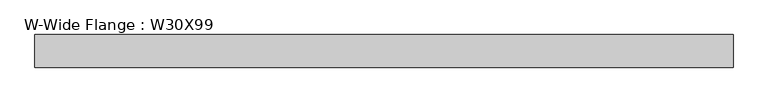
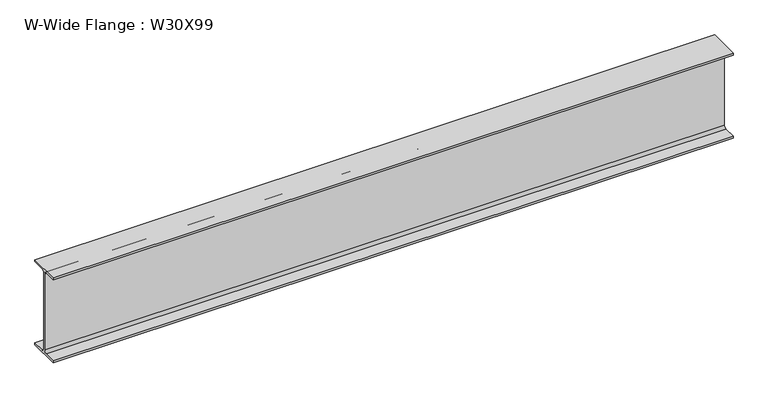
"""IFC4 building model written with IfcOpenShell, lengths in millimetres: beam geometry, W-Wide Flange : W30X99."""

from ifc_helpers import new_model, si_unit, point, frame, frame_2d, origin, place, context, project, spatial, polyline, circle_curve, trimmed, segment, composite_curve, outline, extrude, source, transform, mapped, element, save


def w_wide_flange_w30x99_945eea03(model_context):
    return source(origin(), model_context, "Body", "SweptSolid", [
        extrude(outline(composite_curve([segment(polyline([(133.35, -360.172), (133.35, -377.19), (-133.35, -377.19), (-133.35, -360.172), (-29.2735, -360.172)]), True, "CONTINUOUS"), segment(trimmed(circle_curve(frame_2d((-29.2735, -337.5025)), 22.6695), [point((-29.2735, -360.172))], [point((-6.604, -337.5025))], True, "CARTESIAN"), True, "CONTINUOUS"), segment(polyline([(-6.604, -337.5025), (-6.604, 337.5025)]), True, "CONTINUOUS"), segment(trimmed(circle_curve(frame_2d((-29.2735, 337.5025)), 22.6695), [point((-6.604, 337.5025))], [point((-29.2735, 360.172))], True, "CARTESIAN"), True, "CONTINUOUS"), segment(polyline([(-29.2735, 360.172), (-133.35, 360.172), (-133.35, 377.19), (133.35, 377.19), (133.35, 360.172), (29.2735, 360.172)]), True, "CONTINUOUS"), segment(trimmed(circle_curve(frame_2d((29.2735, 337.5025)), 22.6695), [point((29.2735, 360.172))], [point((6.604, 337.5025))], True, "CARTESIAN"), True, "CONTINUOUS"), segment(polyline([(6.604, 337.5025), (6.604, -337.5025)]), True, "CONTINUOUS"), segment(trimmed(circle_curve(frame_2d((29.2735, -337.5025)), 22.6695), [point((6.604, -337.5025))], [point((29.2735, -360.172))], True, "CARTESIAN"), True, "CONTINUOUS"), segment(polyline([(29.2735, -360.172), (133.35, -360.172)]), True, "CONTINUOUS")], self_intersect=False)), frame((-2851.15, 0.0, 0.0), z_axis=(1.0, 0.0, 0.0), x_axis=(0.0, 1.0, 0.0)), (0.0, 0.0, 1.0), 5702.3),
    ])


if __name__ == "__main__":
    model = new_model("IFC4")
    model_context = context("Model", 3, world=origin())
    ifc_project = project(units=[si_unit("LENGTHUNIT", "METRE", prefix="MILLI")], contexts=[model_context])
    site = spatial("IfcSite", under=ifc_project)
    building = spatial("IfcBuilding", under=site)
    placement = place(None, origin())
    w_wide_flange_w30x99_shape = w_wide_flange_w30x99_945eea03(model_context)
    element("IfcBeam", 1, ObjectType="W-Wide Flange : W30X99", at=placement, inside=building, context=model_context, shape_type="MappedRepresentation", body=[
        mapped(w_wide_flange_w30x99_shape, transform((0.0, 0.0, 0.0), x_axis=(1.0, 0.0, 0.0), y_axis=(0.0, 1.0, 0.0), z_axis=(0.0, 0.0, 1.0))),
    ])
    save(model, "model.ifc")
